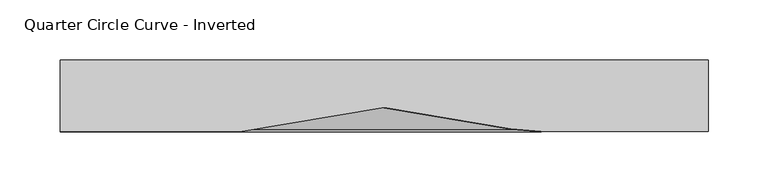
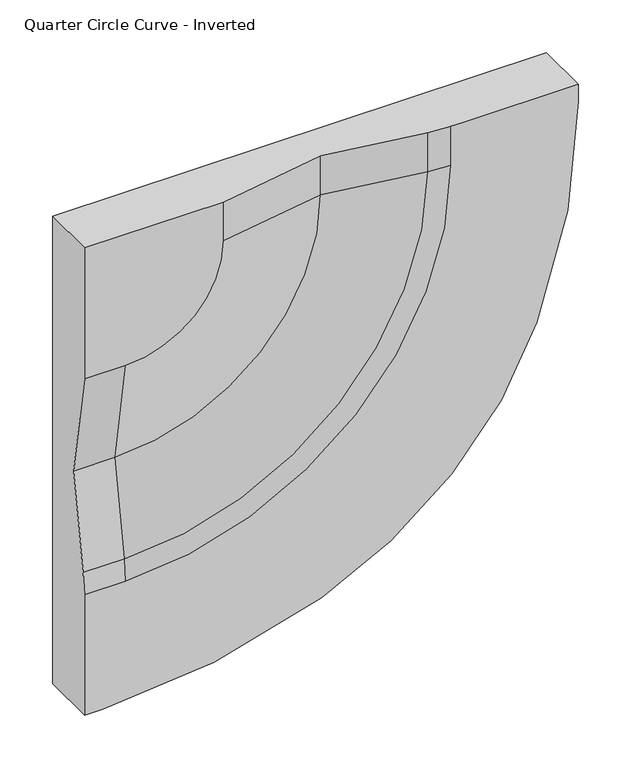
"""IFC4 building model written with IfcOpenShell, lengths in millimetres: furniture geometry, Quarter Circle Curve - Inverted."""

from ifc_helpers import new_model, si_unit, point, frame, origin, place, context, project, spatial, polyline, circle_curve, ellipse_curve, trimmed, source, transform, mapped, element, save
from ifc_brep_helpers import plane_surface, cylinder_surface, revolved_surface, advanced_brep


def quarter_circle_curve_inverted_610a6346(model_context):
    return source(origin(), model_context, "Body", "AdvancedBrep", [
        advanced_brep(
        [(-118.5203808, -60.0, 2040.0), (-270.0, -60.0, 2040.0), (-270.0, -60.0, 1888.5203808), (-225.0, -60.0, 1888.5203808), (-118.5203808, -60.0, 1995.0), (270.0, -60.0, 2040.0), (145.0, -60.0, 2040.0), (131.0875949, -60.0, 2040.0), (131.0875949, -60.0, 1995.0), (-225.0, -60.0, 1638.9124051), (-270.0, -60.0, 1638.9124051), (-270.0, -60.0, 1625.0), (-270.0, -60.0, 1500.0), (-250.2887948, -60.0, 1500.0), (-10.5991139, -60.0, 1545.0644581), (224.9355419, -60.0, 1780.5991139), (270.0, -60.0, 2020.2887948), (-270.0, 0.0, 1500.0), (-270.0, 0.0, 2040.0), (270.0, 0.0, 2040.0), (270.0, 0.0, 2020.2887948), (224.9355419, 0.0, 1780.5991139), (-10.5991139, 0.0, 1545.0644581), (-250.2887948, 0.0, 1500.0), (0.0, -40.0, 2040.0), (106.1283636, -57.90888, 2040.0), (-270.0, -57.90888, 1663.8716364), (-270.0, -40.0, 1770.0), (0.0, -40.0, 1995.0), (106.1283636, -57.90888, 1995.0), (-225.0, -40.0, 1770.0), (-225.0, -57.90888, 1663.8716364)],
        [
            (0, 1),
            (1, 2),
            (2, 3),
            (3, 4, circle_curve(frame((-225.0, -60.0, 1995.0), z_axis=(0.0, -1.0, 0.0), x_axis=(1.0, 0.0, 0.0)), 106.4796192)),
            (4, 0),
            (5, 6),
            (6, 7),
            (7, 8),
            (8, 9, circle_curve(frame((-225.0, -60.0, 1995.0), z_axis=(0.0, 1.0, 0.0), x_axis=(1.0, 0.0, 0.0)), 356.0875949)),
            (9, 10),
            (10, 11),
            (11, 12),
            (12, 13),
            (13, 14, circle_curve(frame((-250.2887948, -60.0, 2159.9652032), z_axis=(0.0, -1.0, 0.0), x_axis=(1.0, 0.0, 0.0)), 659.9652032)),
            (14, 15, circle_curve(frame((-161.0616985, -60.0, 1931.0616985), z_axis=(0.0, -1.0, 0.0), x_axis=(1.0, 0.0, 0.0)), 414.2859628)),
            (15, 16, circle_curve(frame((-389.9652032, -60.0, 2020.2887948), z_axis=(0.0, -1.0, 0.0), x_axis=(1.0, 0.0, 0.0)), 659.9652032)),
            (16, 5),
            (17, 18),
            (18, 19),
            (19, 20),
            (20, 21, circle_curve(frame((-389.9652032, 0.0, 2020.2887948), z_axis=(0.0, 1.0, 0.0), x_axis=(1.0, 0.0, 0.0)), 659.9652032)),
            (21, 22, circle_curve(frame((-161.0616985, 0.0, 1931.0616985), z_axis=(0.0, 1.0, 0.0), x_axis=(1.0, 0.0, 0.0)), 414.2859628)),
            (22, 23, circle_curve(frame((-250.2887948, 0.0, 2159.9652032), z_axis=(0.0, 1.0, 0.0), x_axis=(1.0, 0.0, 0.0)), 659.9652032)),
            (23, 17),
            (18, 1),
            (0, 24),
            (24, 25),
            (25, 7, circle_curve(frame((131.0875949, 90.0, 2040.0), z_axis=(0.0, 0.0, 1.0), x_axis=(0.0, -1.0, 0.0)), 150.0)),
            (5, 19),
            (17, 12),
            (10, 26, circle_curve(frame((-270.0, 90.0, 1638.9124051), z_axis=(-1.0, 0.0, 0.0), x_axis=(0.0, -1.0, 0.0)), 150.0)),
            (26, 27),
            (27, 2),
            (23, 13),
            (16, 20),
            (24, 28),
            (28, 29),
            (29, 25),
            (4, 28),
            (28, 30, circle_curve(frame((-225.0, -40.0, 1995.0), z_axis=(0.0, 1.0, 0.0), x_axis=(1.0, 0.0, 0.0)), 225.0)),
            (30, 31),
            (31, 29, circle_curve(frame((-225.0, -57.90888, 1995.0), z_axis=(0.0, -1.0, 0.0), x_axis=(1.0, 0.0, 0.0)), 331.1283636)),
            (3, 30),
            (30, 27),
            (26, 31),
            (29, 8, circle_curve(frame((131.0875949, 90.0, 1995.0), z_axis=(0.0, 0.0, 1.0), x_axis=(0.0, -1.0, 0.0)), 150.0)),
            (31, 9, circle_curve(frame((-225.0, 90.0, 1638.9124051), z_axis=(1.0, 0.0, 0.0), x_axis=(0.0, -1.0, 0.0)), 150.0)),
            (15, 21),
            (14, 22),
        ],
        [
            plane_surface(frame((-270.0, -60.0, 2040.0), z_axis=(0.0, -1.0, 0.0), x_axis=(-1.0, 0.0, 0.0))),
            plane_surface(frame((-270.0, 0.0, 2040.0), z_axis=(0.0, 1.0, 0.0), x_axis=(1.0, 0.0, 0.0))),
            plane_surface(frame((270.0, -60.0, 2040.0), z_axis=(0.0, 0.0, 1.0), x_axis=(0.0, 1.0, 0.0))),
            plane_surface(frame((-270.0, -60.0, 2040.0), z_axis=(-1.0, 0.0, 0.0), x_axis=(0.0, 1.0, 0.0))),
            plane_surface(frame((-270.0, -60.0, 1500.0), z_axis=(0.0, 0.0, -1.0), x_axis=(0.0, 1.0, 0.0))),
            plane_surface(frame((270.0, -60.0, 1500.0), z_axis=(1.0, 0.0, 0.0), x_axis=(0.0, 1.0, 0.0))),
            plane_surface(frame((106.1283636, -57.90888, 2040.0), z_axis=(-0.16639487545081413, -0.9860591997561343, 0.0), x_axis=(0.0, 0.0, -1.0))),
            plane_surface(frame((0.0, -40.0, 2040.0), z_axis=(0.1663948754507782, -0.9860591997561404, 0.0), x_axis=(0.0, 0.0, -1.0))),
            revolved_surface(polyline([(0.0, -40.0, 1995.0), (106.1283636, -57.90888, 1995.0)]), (-225.0, -60.0, 1995.0), (0.0, 1.0, 0.0)),
            revolved_surface(polyline([(-120.0, -60.2496818, 1995.0), (0.0, -40.0, 1995.0)]), (-225.0, -60.0, 1995.0), (0.0, 1.0, 0.0)),
            plane_surface(frame((-225.0, -57.90888, 1663.8716364), z_axis=(0.0, -0.9860591997561339, 0.16639487545081733), x_axis=(-1.0, 0.0, 0.0))),
            plane_surface(frame((-225.0, -40.0, 1770.0), z_axis=(0.0, -0.986059199756141, -0.16639487545077503), x_axis=(-1.0, 0.0, 0.0))),
            cylinder_surface(frame((131.0875949, 90.0, 2040.0), z_axis=(0.0, 0.0, -1.0), x_axis=(0.0, -1.0, 0.0)), 150.0),
            revolved_surface(trimmed(ellipse_curve(frame((131.0875949, 90.0, 1995.0), z_axis=(0.0, 0.0, 1.0), x_axis=(0.0, -1.0, 0.0)), 150.0, 150.0), [point((106.1283636, -57.90888, 1995.0))], [point((131.0875949, -60.0, 1995.0))], True, "CARTESIAN"), (-225.0, -60.0, 1995.0), (0.0, 1.0, 0.0)),
            cylinder_surface(frame((-225.0, 90.0, 1638.9124051), z_axis=(-1.0, 0.0, 0.0), x_axis=(0.0, -1.0, 0.0)), 150.0),
            cylinder_surface(frame((-389.9652032, 0.0, 2020.2887948), z_axis=(0.0, 1.0, 0.0), x_axis=(1.0, 0.0, 0.0)), 659.9652032),
            cylinder_surface(frame((-161.0616985, 0.0, 1931.0616985), z_axis=(0.0, 1.0, 0.0), x_axis=(1.0, 0.0, 0.0)), 414.2859628),
            cylinder_surface(frame((-250.2887948, 0.0, 2159.9652032), z_axis=(0.0, 1.0, 0.0), x_axis=(1.0, 0.0, 0.0)), 659.9652032),
        ],
        [
            (0, [[1, 2, 3, 4, 5]]),
            (0, [[6, 7, 8, 9, 10, 11, 12, 13, 14, 15, 16, 17]]),
            (1, [[18, 19, 20, 21, 22, 23, 24]]),
            (2, [[-19, 25, -1, 26, 27, 28, -7, -6, 29]]),
            (3, [[-18, 30, -12, -11, 31, 32, 33, -2, -25]]),
            (4, [[-30, -24, 34, -13]]),
            (5, [[-29, -17, 35, -20]]),
            (6, [[36, 37, 38, -27]]),
            (7, [[-36, -26, -5, 39]]),
            (8, [[-37, 40, 41, 42]]),
            (9, [[-40, -39, -4, 43]]),
            (10, [[-41, 44, -32, 45]]),
            (11, [[-44, -43, -3, -33]]),
            (12, [[-38, 46, -8, -28]]),
            (13, [[-42, 47, -9, -46]]),
            (14, [[-45, -31, -10, -47]]),
            (15, [[48, -21, -35, -16]]),
            (16, [[-48, -15, 49, -22]]),
            (17, [[-49, -14, -34, -23]]),
        ],
    ),
    ])


if __name__ == "__main__":
    model = new_model("IFC4")
    model_context = context("Model", 3, world=origin())
    ifc_project = project(units=[si_unit("LENGTHUNIT", "METRE", prefix="MILLI")], contexts=[model_context])
    site = spatial("IfcSite", under=ifc_project)
    building = spatial("IfcBuilding", under=site)
    placement = place(None, origin())
    quarter_circle_curve_inverted_shape = quarter_circle_curve_inverted_610a6346(model_context)
    element("IfcFurniture", 1, ObjectType="Quarter Circle Curve - Inverted", at=placement, inside=building, context=model_context, shape_type="MappedRepresentation", body=[
        mapped(quarter_circle_curve_inverted_shape, transform((0.0, 0.0, 0.0), x_axis=(1.0, 0.0, 0.0), y_axis=(0.0, 1.0, 0.0), z_axis=(0.0, 0.0, 1.0))),
    ])
    save(model, "model.ifc")
